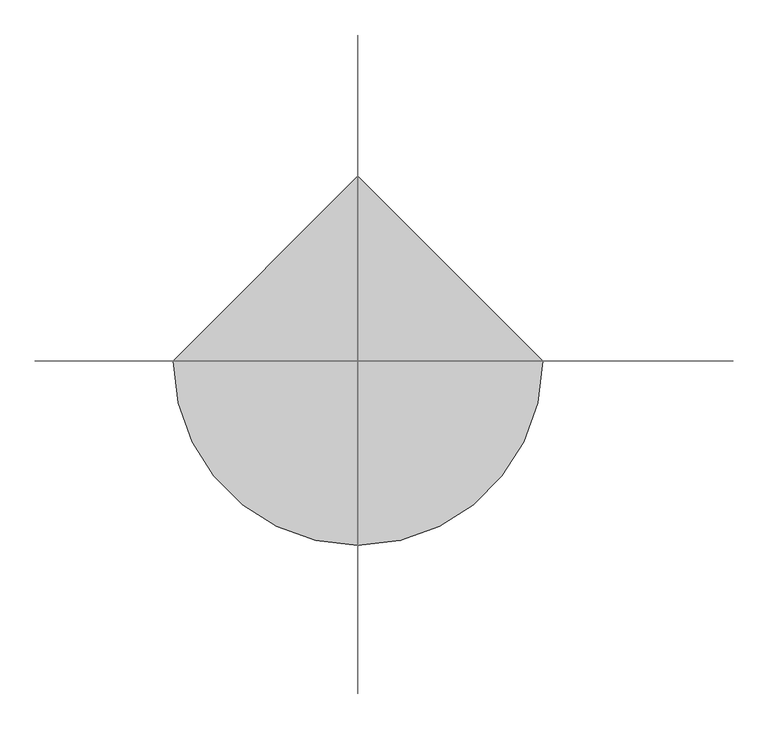
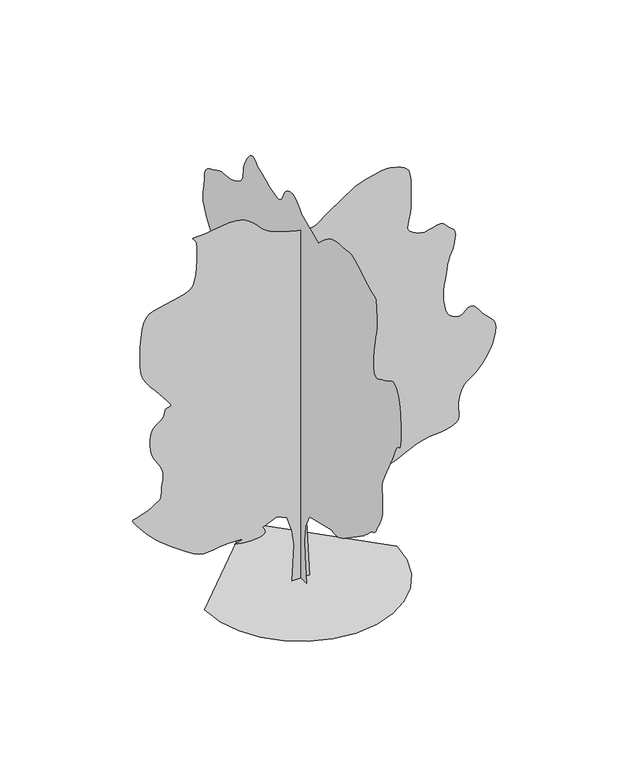
"""IFC4 building model written with IfcOpenShell, lengths in millimetres: geographic element geometry."""

from ifc_helpers import new_model, si_unit, origin, place, context, project, spatial, triangles, source, transform, mapped, element, save


def geographic_element_be49fed4(model_context):
    return source(origin(), model_context, "Body", "Tessellation", [
        triangles([(0.0009733, 134.7013619, 0.0), (0.0009733, -147.494867, 0.0), (0.0009733, -109.8685844, 413.8878181), (0.0009733, -100.4623272, 649.050499), (0.0009733, -119.2748508, 884.2131798), (0.0009733, -232.153435, 1100.5634188), (0.0009733, -805.9506603, 1241.6609837), (0.0009733, -836.5581671, 1230.0334957), (0.0009733, -869.3831984, 1221.2035114), (0.0009733, -906.6532345, 1217.965991), (0.0009733, -950.5882708, 1223.1234524), (0.0009733, -1003.4058317, 1239.4685303), (0.0009733, -1067.3308542, 1269.7985104), (0.0009733, -1144.5859497, 1316.9135124), (0.0009733, -1455.0011593, 1533.2636787), (0.0009733, -1498.8811844, 1564.1163013), (0.0009733, -1542.2661816, 1593.486311), (0.0009733, -1585.8162849, 1623.3513485), (0.0009733, -1630.1888672, 1655.6862934), (0.0009733, -1676.041301, 1692.4613743), (0.0009733, -1724.0338657, 1735.6539413), (0.0009733, -1774.8239342, 1787.2388741), (0.0009733, -1818.8389801, 1828.7590141), (0.0009733, -1849.3615356, 1847.5739994), (0.0009733, -1871.3289448, 1854.3740204), (0.0009733, -1889.6765167, 1859.8590054), (0.0009733, -1909.3389793, 1874.7240864), (0.0009733, -1935.2541126, 1909.6614887), (0.0009733, -1972.3591152, 1975.3715767), (0.0009733, -2012.7566494, 2050.40159), (0.0009733, -2045.5841515, 2111.4491718), (0.0009733, -2071.3341785, 2166.4067184), (0.0009733, -2090.5042294, 2223.1767998), (0.0009733, -2103.5867157, 2289.651812), (0.0009733, -2111.0717239, 2373.7344704), (0.0009733, -2113.4592236, 2483.3219673), (0.0009733, -2108.7967175, 2583.5521866), (0.0009733, -2099.1991928, 2645.9521568), (0.0009733, -2091.2441551, 2687.927211), (0.0009733, -2091.5191383, 2726.9521545), (0.0009733, -2106.6016479, 2780.4523773), (0.0009733, -2143.0767471, 2865.9023941), (0.0009733, -2207.5242668, 3000.6773071), (0.0009733, -2272.3543213, 3131.8524399), (0.0009733, -2311.5169018, 3208.0527306), (0.0009733, -2333.894315, 3249.2275429), (0.0009733, -2348.3743904, 3275.2526985), (0.0009733, -2363.8419056, 3306.0525627), (0.0009733, -2389.1819286, 3361.5276649), (0.0009733, -2433.2795277, 3461.6026611), (0.0009733, -2483.0818657, 3552.8029083), (0.0009733, -2520.7019531, 3587.7528099), (0.0009733, -2547.8020432, 3595.3779259), (0.0009733, -2566.002095, 3604.6529411), (0.0009733, -2576.9770065, 3644.5278328), (0.0009733, -2582.3519691, 3743.9531593), (0.0009733, -2583.7771729, 3931.9283134), (0.0009733, -2574.1771774, 4144.4034256), (0.0009733, -2548.4520035, 4302.6033623), (0.0009733, -2511.2269501, 4413.2285866), (0.0009733, -2467.0668549, 4483.053685), (0.0009733, -2420.6095161, 4518.8035378), (0.0009733, -2376.4569786, 4527.2536034), (0.0009733, -2339.2143391, 4515.1287621), (0.0009733, -2306.9368034, 4495.0285355), (0.0009733, -2274.4943069, 4475.2535797), (0.0009733, -2241.7217434, 4456.1535828), (0.0009733, -2208.456768, 4438.0035278), (0.0009733, -2174.5318039, 4421.2036812), (0.0009733, -2139.7866863, 4406.0284447), (0.0009733, -2104.0516582, 4392.8536674), (0.0009733, -2063.4092262, 4373.6786751), (0.0009733, -2017.3366024, 4348.9034431), (0.0009733, -1970.769096, 4331.3786407), (0.0009733, -1928.6465218, 4333.9284851), (0.0009733, -1895.9015728, 4369.4036453), (0.0009733, -1877.4714478, 4450.6036308), (0.0009733, -1878.294072, 4590.37882), (0.0009733, -1893.3515831, 4743.5287743), (0.0009733, -1912.3565277, 4862.9290443), (0.0009733, -1932.3490574, 4958.6287262), (0.0009733, -1950.3665623, 5040.6789505), (0.0009733, -1963.4490486, 5119.1293945), (0.0009733, -1968.6315811, 5203.9794479), (0.0009733, -1962.9540207, 5305.2790787), (0.0009733, -1955.0840069, 5402.479541), (0.0009733, -1951.8190899, 5472.3543457), (0.0009733, -1947.4040977, 5521.0042831), (0.0009733, -1936.0790623, 5554.5045639), (0.0009733, -1912.0815445, 5578.9792328), (0.0009733, -1869.6565178, 5600.4796646), (0.0009733, -1803.044014, 5625.1043243), (0.0009733, -1720.9064404, 5661.3794357), (0.0009733, -1636.6338226, 5709.179425), (0.0009733, -1551.5337845, 5761.6047134), (0.0009733, -1466.931245, 5811.7045624), (0.0009733, -1384.1386242, 5852.5799744), (0.0009733, -1304.4711033, 5877.3546249), (0.0009733, -1229.2460438, 5879.0795197), (0.0009733, -1155.7484224, 5869.4295273), (0.0009733, -1081.2633614, 5862.9049255), (0.0009733, -1007.1082947, 5856.8547134), (0.0009733, -934.5982584, 5848.679631), (0.0009733, -865.0506866, 5835.7548386), (0.0009733, -799.7806154, 5815.4049179), (0.0009733, -740.1056242, 5785.0044479), (0.0009733, -686.9580688, 5749.2798843), (0.0009733, -639.7330444, 5714.5296799), (0.0009733, -597.445473, 5680.604425), (0.0009733, -559.105444, 5647.3547104), (0.0009733, -523.727916, 5614.5793854), (0.0009733, -490.3254127, 5582.1296219), (0.0009733, -457.9103854, 5549.8542664), (0.0009733, -15.8033629, 5737.9794113), (0.0009733, 22.480868, 5779.9547562), (0.0009733, 60.6828013, 5819.9046432), (0.0009733, 98.7203278, 5855.7047836), (0.0009733, 136.5108627, 5885.354718), (0.0009733, 173.9723933, 5906.7795731), (0.0009733, 211.0226754, 5917.9050568), (0.0009733, 247.5792013, 5916.7045486), (0.0009733, 282.6827272, 5907.9045044), (0.0009733, 315.3177446, 5896.9545914), (0.0009733, 345.3202738, 5882.8798691), (0.0009733, 372.5252993, 5864.7048157), (0.0009733, 396.7678239, 5841.4294922), (0.0009733, 417.8828505, 5812.054541), (0.0009733, 435.7103597, 5775.6044403), (0.0009733, 452.7128829, 5735.1795822), (0.0009733, 472.6778707, 5696.4046234), (0.0009733, 497.4153869, 5662.079393), (0.0009733, 528.7329157, 5634.979303), (0.0009733, 568.4429555, 5617.9047638), (0.0009733, 618.3554976, 5613.7044388), (0.0009733, 680.2805695, 5625.1043243), (0.0009733, 747.7156248, 5646.6297546), (0.0009733, 813.1781261, 5670.6294525), (0.0009733, 876.993199, 5696.6796066), (0.0009733, 939.4932358, 5724.37966), (0.0009733, 1001.0058329, 5753.3046387), (0.0009733, 1061.8608393, 5783.054567), (0.0009733, 1122.385924, 5813.2294693), (0.0009733, 1150.6609423, 5838.9296448), (0.0009733, 1179.2634842, 5861.5800064), (0.0009733, 1208.5259422, 5878.1545761), (0.0009733, 1238.7735146, 5885.5797043), (0.0009733, 1270.3410645, 5880.8299942), (0.0009733, 1303.5511013, 5860.8794678), (0.0009733, 1338.7360176, 5822.6294769), (0.0009733, 1373.2086227, 5775.8044281), (0.0009733, 1403.7311783, 5731.2548218), (0.0009733, 1429.8111271, 5687.8795624), (0.0009733, 1450.9562027, 5644.4793045), (0.0009733, 1466.6712318, 5599.9546967), (0.0009733, 1476.4611866, 5553.1046494), (0.0009733, 1479.8336552, 5502.8042313), (0.0009733, 1483.4812523, 5452.1044189), (0.0009733, 1495.191148, 5404.7044052), (0.0009733, 1516.1161789, 5360.4042023), (0.0009733, 1547.4087456, 5319.0793991), (0.0009733, 1590.2163071, 5280.554425), (0.0009733, 1645.6963509, 5244.6542908), (0.0009733, 1714.996336, 5211.204007), (0.0009733, 1788.9065048, 5186.2043701), (0.0009733, 1858.2064899, 5172.3790512), (0.0009733, 1924.0515987, 5164.8039322), (0.0009733, 1987.5940865, 5158.5543137), (0.0009733, 2049.9841736, 5148.679335), (0.0009733, 2112.3742607, 5130.2542969), (0.0009733, 2175.9167484, 5098.32892), (0.0009733, 2240.5017597, 5064.3292511), (0.0009733, 2303.2743816, 5038.2291), (0.0009733, 2361.2769459, 5012.9289001), (0.0009733, 2411.5469879, 4981.4040802), (0.0009733, 2451.1195724, 4936.5289124), (0.0009733, 2477.0345604, 4871.2538269), (0.0009733, 2486.331958, 4778.503965), (0.0009733, 2492.5844833, 4683.078685), (0.0009733, 2506.4019539, 4608.2036041), (0.0009733, 2520.4019714, 4544.5287117), (0.0009733, 2527.1521408, 4482.6537094), (0.0009733, 2519.2520416, 4413.2285866), (0.0009733, 2489.2945679, 4326.8286278), (0.0009733, 2429.8919437, 4214.1285301), (0.0009733, 2356.3968658, 4101.0031677), (0.0009733, 2289.9743214, 4014.028244), (0.0009733, 2231.9442879, 3944.8531059), (0.0009733, 2183.6218014, 3885.0282692), (0.0009733, 2146.3266941, 3826.2030807), (0.0009733, 2121.3692059, 3759.9780533), (0.0009733, 2110.0716396, 3677.9528275), (0.0009733, 2115.5842392, 3588.602758), (0.0009733, 2136.8916595, 3505.6778778), (0.0009733, 2169.0617889, 3428.6526375), (0.0009733, 2207.1542313, 3357.0776459), (0.0009733, 2246.2317879, 3290.4526428), (0.0009733, 2281.3643818, 3228.2526604), (0.0009733, 2307.6092915, 3170.0024368), (0.0009733, 2333.0293968, 3130.6025162), (0.0009733, 2364.704353, 3115.0525932), (0.0009733, 2396.2144936, 3108.0524391), (0.0009733, 2421.1445126, 3094.3024063), (0.0009733, 2433.074453, 3058.5275551), (0.0009733, 2425.586974, 2985.3773689), (0.0009733, 2392.2669147, 2859.5771988), (0.0009733, 2346.3593971, 2717.8521286), (0.0009733, 2303.741795, 2602.2772064), (0.0009733, 2261.946817, 2505.6519997), (0.0009733, 2218.506736, 2420.6845116), (0.0009733, 2170.9542606, 2340.1668972), (0.0009733, 2116.8167221, 2256.8517792), (0.0009733, 2053.6316254, 2163.5018085), (0.0009733, 1990.2540985, 2069.4091507), (0.0009733, 1937.0790012, 1987.8215435), (0.0009733, 1893.941518, 1917.4240963), (0.0009733, 1860.6740719, 1856.8965408), (0.0009733, 1837.1164982, 1804.928928), (0.0009733, 1823.1039814, 1760.1989548), (0.0009733, 1818.4689445, 1721.3939106), (0.0009733, 1822.4189941, 1694.76385), (0.0009733, 1831.633984, 1682.286414), (0.0009733, 1842.1640099, 1676.2263187), (0.0009733, 1850.0614929, 1668.8488621), (0.0009733, 1851.3789997, 1652.4213764), (0.0009733, 1842.1640099, 1619.2113396), (0.0009733, 1818.4689445, 1561.4837585), (0.0009733, 1798.7513981, 1500.5736683), (0.0009733, 1796.6388817, 1458.9161819), (0.0009733, 1800.9439968, 1430.4235897), (0.0009733, 1800.4789089, 1409.0036762), (0.0009733, 1784.0514233, 1388.5736732), (0.0009733, 1740.4738506, 1363.0410748), (0.0009733, 1658.5587925, 1326.3210777), (0.0009733, 1569.2912762, 1288.8036003), (0.0009733, 1504.2137077, 1262.3110313), (0.0009733, 1452.9586967, 1242.8959373), (0.0009733, 1405.1587074, 1226.6059433), (0.0009733, 1350.4460587, 1209.4934704), (0.0009733, 1278.4585922, 1187.608469), (0.0009733, 1178.8259382, 1157.003433), (0.0009733, 1078.8083513, 1127.6584219), (0.0009733, 1006.4358067, 1109.9959099), (0.0009733, 952.4932417, 1100.7283796), (0.0009733, 907.7632685, 1096.558358), (0.0009733, 863.0356934, 1094.2008711), (0.0009733, 809.0906576, 1090.3609165), (0.0009733, 736.7181129, 1081.7509043), (0.0009733, 652.0605623, 1068.0108273), (0.0009733, 567.4004683, 1051.3083584), (0.0009733, 482.7428813, 1032.140851), (0.0009733, 398.0828236, 1010.9958481), (0.0009733, 313.4252366, 988.3707756), (0.0009733, 228.7664324, 964.7582634), (0.0009733, 144.1076192, 940.6532667), (134.0396109, 0.0003104, 0.0138465), (-129.3426047, 0.0003104, 0.0138465), (-101.123079, 0.0002775, 554.9979549), (-129.3426047, 0.000265, 780.7556139), (-204.5949064, 0.0002508, 1015.9182947), (-355.1002728, 0.0002461, 1091.1708961), (-571.4504754, 0.0002508, 997.1057802), (-553.8429382, 0.0002524, 972.9983128), (-539.4454522, 0.000254, 949.3882713), (-531.465416, 0.0002555, 926.7632715), (-533.1104465, 0.0002571, 905.6181959), (-547.5904492, 0.0002587, 886.4482178), (-578.1129684, 0.0002587, 869.7482197), (-627.8879826, 0.0002602, 856.0082153), (-686.4380424, 0.0002602, 846.9307171), (-741.5356241, 0.0002602, 843.2831926), (-793.7506056, 0.0002602, 844.1606827), (-843.663184, 0.0002602, 848.6581553), (-891.8482515, 0.0002602, 855.8707237), (-938.8807732, 0.0002587, 864.8932108), (-985.3357864, 0.0002587, 874.8207298), (-938.2757229, 0.0002587, 886.8056814), (-899.1157585, 0.0002571, 898.1307169), (-875.7482168, 0.0002571, 908.1407164), (-876.0782112, 0.0002555, 916.1757637), (-908.000754, 0.0002555, 921.5782682), (-979.4132555, 0.0002555, 923.690712), (-1098.2134169, 0.0002555, 921.8532515), (-1223.378524, 0.0002571, 913.21577), (-1316.2934921, 0.0002571, 899.9682501), (-1388.4736794, 0.0002571, 889.0257494), (-1451.4387314, 0.0002571, 887.2982386), (-1516.7087299, 0.0002571, 901.6957609), (-1595.8012859, 0.0002555, 939.1307579), (-1700.2313942, 0.0002508, 1006.5108021), (-1816.016478, 0.0002461, 1088.4284037), (-1921.6016029, 0.0002414, 1165.4084433), (-2017.1466431, 0.0002367, 1238.2735451), (-2102.8191753, 0.0002336, 1307.8509842), (-2178.7867767, 0.0002289, 1374.9560452), (-2245.2068504, 0.0002242, 1440.4186192), (-2302.2492989, 0.0002211, 1505.0587143), (-2354.1368294, 0.0002179, 1567.5838223), (-2402.8969345, 0.0002132, 1625.1763824), (-2445.4045143, 0.0002101, 1676.3488403), (-2478.5321434, 0.0002085, 1719.6239605), (-2499.1544312, 0.0002069, 1753.5214554), (-2504.1520912, 0.0002054, 1776.5590027), (-2490.3793854, 0.0002038, 1787.2539894), (-2459.3920326, 0.0002038, 1794.0263958), (-2417.5419708, 0.0002038, 1805.7364368), (-2368.9443558, 0.0002022, 1821.5614883), (-2317.716814, 0.0002007, 1840.6764553), (-2267.9692692, 0.0001991, 1862.2590042), (-2223.8167316, 0.0001991, 1885.4865108), (-2189.3717411, 0.0001975, 1909.5391125), (-2162.3867603, 0.000196, 1927.8015152), (-2138.1966671, 0.000196, 1938.169051), (-2117.2992508, 0.0001944, 1946.561562), (-2100.1866325, 0.0001944, 1958.9016518), (-2087.3541309, 0.0001928, 1981.1165749), (-2079.291687, 0.0001897, 2019.1266094), (-2076.4941833, 0.0001866, 2078.8566845), (-2072.5992176, 0.0001834, 2146.7042873), (-2063.7692333, 0.0001787, 2206.9817127), (-2054.2791149, 0.0001756, 2262.4893711), (-2048.4115952, 0.0001725, 2316.0218594), (-2050.4417038, 0.0001693, 2370.3769718), (-2064.6466507, 0.0001662, 2428.3494507), (-2095.3066978, 0.0001615, 2492.7420319), (-2134.2492336, 0.0001583, 2555.8271347), (-2169.5717869, 0.0001552, 2611.5022247), (-2199.9567055, 0.0001521, 2665.0271553), (-2224.0918602, 0.0001489, 2721.6771858), (-2240.6543667, 0.0001442, 2786.727285), (-2248.3342758, 0.0001395, 2865.4274231), (-2245.8117554, 0.0001348, 2963.0772766), (-2228.8892418, 0.0001286, 3053.9275452), (-2197.981826, 0.0001254, 3115.1525871), (-2158.6842247, 0.0001223, 3156.3276901), (-2116.5866489, 0.0001207, 3186.952565), (-2077.289193, 0.0001191, 3216.6024994), (-2046.3816319, 0.000116, 3254.8024933), (-2029.4615891, 0.0001129, 3311.1025452), (-2011.7716805, 0.0001113, 3359.2778023), (-1982.4016708, 0.0001097, 3377.3028648), (-1952.6991234, 0.0001097, 3381.2026268), (-1934.0241005, 0.0001082, 3386.9028603), (-1937.7266361, 0.0001082, 3410.3778809), (-1975.1615604, 0.0001035, 3467.6028763), (-2057.6791981, 9.72e-05, 3574.5027466), (-2156.9017754, 9.09e-05, 3694.6029739), (-2237.5292667, 8.47e-05, 3789.0530228), (-2300.5494026, 8e-05, 3870.1780128), (-2346.9519482, 7.53e-05, 3950.303064), (-2377.7218723, 7.05e-05, 4041.8032928), (-2393.8469055, 6.27e-05, 4156.9782394), (-2396.3144875, 5.33e-05, 4308.2036018), (-2391.2694466, 4.39e-05, 4470.0786049), (-2382.4394623, 3.61e-05, 4609.2538307), (-2367.1893757, 2.98e-05, 4726.0536781), (-2342.8918762, 2.35e-05, 4820.8039993), (-2306.911805, 1.88e-05, 4893.8541916), (-2256.6142937, 1.57e-05, 4945.4789474), (-2189.3717411, 1.41e-05, 4976.0538254), (-2104.7392616, 1.25e-05, 4994.8788391), (-2008.7541321, 1.25e-05, 5012.5289246), (-1908.491502, 1.1e-05, 5031.3539383), (-1811.0265209, 9.4e-06, 5053.6293228), (-1723.4339024, 7.8e-06, 5081.6543564), (-1652.7887959, 6.3e-06, 5117.7288986), (-1606.1663509, 3.1e-06, 5164.2039688), (-1578.8513031, -1.6e-06, 5232.7044388), (-1560.4237942, -6.3e-06, 5326.3795349), (-1549.3987404, -1.25e-05, 5434.7043182), (-1544.298761, -2.04e-05, 5547.1544312), (-1543.6387722, -2.67e-05, 5653.1793549), (-1545.9437187, -3.14e-05, 5742.2547318), (-1549.7288074, -3.45e-05, 5803.8294617), (-1560.9438206, -3.76e-05, 5842.6799973), (-1580.7187763, -3.92e-05, 5871.4799835), (-1600.3263004, -4.08e-05, 5891.7049118), (-1611.0487564, -4.08e-05, 5904.879689), (-1604.1663277, -4.23e-05, 5912.4298096), (-1570.95382, -4.23e-05, 5915.9045975), (-1502.6962132, -4.23e-05, 5916.7295471), (-1406.2711395, -4.23e-05, 5923.0547424), (-1298.001004, -4.39e-05, 5937.4550262), (-1183.3109842, -4.39e-05, 5953.0046585), (-1067.6358501, -4.39e-05, 5962.7796432), (-956.4032501, -4.39e-05, 5959.9048187), (-855.043158, -4.39e-05, 5937.4550262), (-768.9856201, -4.08e-05, 5888.5045258), (-703.6355392, -3.61e-05, 5829.3546478), (-655.0655388, -3.29e-05, 5779.2298004), (-614.7254866, -3.14e-05, 5735.7045502), (-574.0554763, -2.82e-05, 5696.3046295), (-524.5004342, -2.67e-05, 5658.5546082), (-457.5028522, -2.35e-05, 5619.9546387), (-364.5052946, -2.19e-05, 5578.0792877), (-256.7552037, -1.88e-05, 5538.7543625), (-153.2841212, -1.72e-05, 5508.8044464), (-57.2167973, -1.57e-05, 5487.254599), (28.3195219, -1.57e-05, 5473.1042999), (100.1988349, -1.57e-05, 5465.3791901), (155.2941184, -1.41e-05, 5463.054332), (190.4793981, -1.57e-05, 5465.2042007), (215.8194211, -1.57e-05, 5473.054303), (243.4629554, -1.57e-05, 5487.6295761), (273.410219, -1.72e-05, 5507.6545166), (305.6602309, -1.88e-05, 5531.7792068), (340.2152802, -2.04e-05, 5558.729306), (377.0728051, -2.19e-05, 5587.1293167), (416.2353493, -2.35e-05, 5615.7043167), (792.4981384, -3.92e-05, 5869.679512), (817.288195, -3.92e-05, 5878.9295288), (882.5581936, -4.08e-05, 5902.1548553), (974.6482847, -4.23e-05, 5932.6297394), (1079.9033426, -4.55e-05, 5963.5795944), (1184.6634453, -4.55e-05, 5988.3048294), (1275.2734669, -4.7e-05, 6000.0046967), (1338.0760288, -4.7e-05, 5991.9796051), (1385.3260517, -4.55e-05, 5975.0550568), (1436.1986732, -4.39e-05, 5961.4297256), (1487.4012165, -4.39e-05, 5946.3050674), (1535.6386791, -4.23e-05, 5924.9546265), (1577.6262325, -4.08e-05, 5892.5548599), (1610.068729, -3.76e-05, 5844.3798935), (1629.6788692, -3.29e-05, 5775.6294388), (1639.0838184, -2.82e-05, 5698.6044891), (1643.8838161, -2.51e-05, 5627.2047775), (1645.2263214, -2.04e-05, 5558.9042953), (1644.2663509, -1.72e-05, 5491.2793533), (1642.1538345, -1.25e-05, 5421.8545212), (1640.0437889, -7.8e-06, 5348.1293701), (1639.0838184, -3.1e-06, 5267.6790482), (1634.0913906, 1.6e-06, 5187.5792862), (1622.1912449, 6.3e-06, 5116.5539703), (1607.9838272, 9.4e-06, 5054.4042755), (1596.081356, 1.25e-05, 5001.0040466), (1591.0912537, 1.57e-05, 4956.1288788), (1597.6187622, 1.72e-05, 4919.6537796), (1620.2713039, 1.88e-05, 4891.4037598), (1651.9738747, 2.04e-05, 4868.9289688), (1682.6888603, 2.19e-05, 4849.728978), (1712.5813671, 2.19e-05, 4833.6537964), (1741.8138851, 2.35e-05, 4820.5540146), (1770.5564621, 2.35e-05, 4810.2287727), (1798.9665012, 2.51e-05, 4802.5539505), (1827.213905, 2.51e-05, 4797.3289787), (1863.2490601, 2.51e-05, 4800.3037971), (1911.6264851, 2.35e-05, 4812.9788956), (1967.4066559, 2.35e-05, 4828.9287941), (2025.6565887, 2.19e-05, 4841.7788818), (2081.4366142, 2.19e-05, 4845.0539726), (2129.8141846, 2.35e-05, 4832.3788742), (2165.8491943, 2.51e-05, 4797.3289787), (2195.3593117, 2.67e-05, 4758.0787582), (2225.6892918, 2.82e-05, 4731.9538994), (2254.2093533, 2.98e-05, 4711.4536972), (2278.2892788, 3.14e-05, 4688.9539078), (2295.2918747, 3.29e-05, 4656.9288277), (2302.5869236, 3.61e-05, 4607.7786301), (2297.5418827, 4.08e-05, 4533.9537758), (2283.3617889, 4.55e-05, 4455.6536133), (2265.8943958, 4.86e-05, 4393.6536186), (2246.4493618, 5.17e-05, 4341.2036224), (2226.3468098, 5.49e-05, 4291.5284569), (2206.9042465, 5.8e-05, 4237.9035324), (2189.4342373, 6.27e-05, 4173.6033875), (2175.2567596, 6.74e-05, 4091.8534355), (2162.3117649, 7.21e-05, 4004.3782516), (2148.874213, 7.68e-05, 3925.278138), (2136.7516972, 8.15e-05, 3851.452993), (2127.756752, 8.62e-05, 3779.753009), (2123.6991508, 8.94e-05, 3707.0780846), (2126.3867775, 9.41e-05, 3630.302829), (2137.6292599, 9.88e-05, 3546.2777252), (2155.4842747, 0.0001035, 3469.5027603), (2176.791695, 0.0001066, 3413.652681), (2201.5542824, 0.0001097, 3374.2527603), (2229.7743622, 0.0001113, 3346.8526886), (2261.4493183, 0.0001129, 3327.0277359), (2296.5819122, 0.0001129, 3310.302594), (2335.1669117, 0.0001144, 3292.3025299), (2374.57439, 0.0001144, 3289.8526794), (2413.1620056, 0.0001129, 3313.0777153), (2452.4043777, 0.0001113, 3347.3276596), (2493.7896423, 0.0001097, 3377.9778236), (2538.8020111, 0.0001082, 3390.3276512), (2588.9021507, 0.0001097, 3369.8027412), (2645.5771797, 0.0001144, 3301.7025375), (2706.5522369, 0.0001191, 3218.4776756), (2765.8771042, 0.0001223, 3156.4526825), (2819.5773148, 0.0001254, 3106.9525063), (2863.7772331, 0.0001286, 3061.2523888), (2894.4523956, 0.0001317, 3010.6025734), (2907.702459, 0.0001348, 2946.27743), (2899.552375, 0.0001411, 2859.6021973), (2878.1022308, 0.0001458, 2766.3523659), (2853.5522758, 0.0001505, 2686.1020317), (2825.0272728, 0.0001552, 2615.752256), (2791.7272705, 0.0001583, 2552.1270699), (2752.8273193, 0.0001615, 2492.1121284), (2707.5271774, 0.0001662, 2432.6019527), (2654.9771873, 0.0001693, 2370.4569088), (2600.8270042, 0.0001725, 2317.1443199), (2551.1021324, 0.0001756, 2280.2868313), (2505.6519997, 0.0001772, 2250.9967587), (2464.3344635, 0.0001787, 2220.3917953), (2426.9544777, 0.0001803, 2179.5842571), (2393.3594353, 0.000185, 2119.691692), (2363.3868462, 0.0001897, 2031.8240902), (2347.2343437, 0.000196, 1934.7965824), (2348.1944595, 0.0002007, 1852.2490047), (2355.7344063, 0.0002038, 1782.5363995), (2359.3269196, 0.0002085, 1724.0139542), (2348.4393574, 0.0002116, 1675.0338043), (2312.5418392, 0.0002132, 1633.9512829), (2241.1018684, 0.0002148, 1599.1237576), (2155.26423, 0.0002164, 1575.9487186), (2078.4766205, 0.0002179, 1565.7737583), (2003.661565, 0.0002179, 1560.866209), (1923.7465302, 0.0002179, 1553.4887524), (1831.6565117, 0.0002195, 1535.9111916), (1720.3138893, 0.0002211, 1500.3962082), (1582.6438042, 0.0002258, 1439.2111347), (1432.7436516, 0.0002289, 1368.8411568), (1291.0710491, 0.000232, 1310.483527), (1160.0909626, 0.0002352, 1263.4785473), (1042.2783136, 0.0002383, 1227.1685543), (940.0957426, 0.0002399, 1200.8959574), (856.0131569, 0.0002399, 1184.0009857), (792.4981384, 0.0002414, 1175.8284468), (397.4228348, 0.0002414, 1166.4234249), (105.8200852, 0.0002446, 1119.3909033), (87.0075707, 0.0002587, 865.4131645), (-1430.8636791, 0.0, 0.0118397), (-1393.0361916, -327.8602567, 0.0118397), (-1285.305994, -628.9454762, 0.0118397), (-1116.2958887, -894.633256, 0.0118397), (-894.633256, -1116.2958887, 0.0118397), (-628.9454762, -1285.305994, 0.0118397), (-327.8602567, -1393.0361916, 0.0118397), (6.25e-05, -1430.8636791, 0.0118397), (327.8602567, -1393.0361916, 0.0118397), (628.9454762, -1285.305994, 0.0118397), (894.633256, -1116.2958887, 0.0118397), (1116.2958887, -894.633256, 0.0118397), (1285.305994, -628.9454762, 0.0118397), (1393.0361916, -327.8602567, 0.0118397), (1430.8636791, 0.0001254, 0.0118397), (-0.0001876, 1430.8636791, 0.0118397)], [[1, 2, 3], [254, 1, 3], [254, 3, 4], [254, 4, 5], [254, 5, 6], [53, 54, 55], [52, 53, 55], [201, 202, 203], [201, 203, 204], [200, 201, 204], [222, 223, 224], [52, 55, 56], [200, 204, 205], [199, 200, 205], [253, 254, 6], [221, 222, 224], [221, 224, 225], [229, 230, 231], [229, 231, 232], [228, 229, 232], [228, 232, 233], [227, 228, 233], [252, 253, 6], [221, 225, 226], [220, 221, 226], [199, 205, 206], [198, 199, 206], [62, 63, 64], [61, 62, 64], [61, 64, 65], [60, 61, 65], [60, 65, 66], [59, 60, 66], [59, 66, 67], [59, 67, 68], [58, 59, 68], [58, 68, 69], [58, 69, 70], [57, 58, 70], [57, 70, 71], [57, 71, 72], [57, 72, 73], [57, 73, 74], [56, 57, 74], [52, 56, 74], [51, 52, 74], [50, 51, 74], [50, 74, 75], [49, 50, 75], [48, 49, 75], [47, 48, 75], [46, 47, 75], [45, 46, 75], [44, 45, 75], [43, 44, 75], [42, 43, 75], [42, 75, 76], [41, 42, 76], [227, 233, 234], [226, 227, 234], [220, 226, 234], [219, 220, 234], [219, 234, 235], [219, 235, 236], [219, 236, 237], [218, 219, 237], [218, 237, 238], [218, 238, 239], [218, 239, 240], [217, 218, 240], [217, 240, 241], [217, 241, 242], [217, 242, 243], [217, 243, 244], [217, 244, 245], [217, 245, 246], [216, 217, 246], [216, 246, 247], [215, 216, 247], [215, 247, 248], [251, 252, 6], [88, 89, 90], [88, 90, 91], [87, 88, 91], [87, 91, 92], [86, 87, 92], [86, 92, 93], [85, 86, 93], [84, 85, 93], [84, 93, 94], [83, 84, 94], [82, 83, 94], [81, 82, 94], [81, 94, 95], [80, 81, 95], [80, 95, 96], [80, 96, 97], [80, 97, 98], [80, 98, 99], [80, 99, 100], [80, 100, 101], [80, 101, 102], [80, 102, 103], [80, 103, 104], [80, 104, 105], [80, 105, 106], [80, 106, 107], [80, 107, 108], [80, 108, 109], [80, 109, 110], [80, 110, 111], [80, 111, 112], [79, 80, 112], [79, 112, 113], [78, 79, 113], [77, 78, 113], [76, 77, 113], [41, 76, 113], [40, 41, 113], [40, 113, 114], [39, 40, 114], [198, 206, 207], [197, 198, 207], [196, 197, 207], [196, 207, 208], [195, 196, 208], [195, 208, 209], [195, 209, 210], [195, 210, 211], [194, 195, 211], [194, 211, 212], [194, 212, 213], [193, 194, 213], [193, 213, 214], [214, 215, 248], [193, 214, 248], [193, 248, 249], [192, 193, 249], [192, 249, 250], [192, 250, 251], [192, 251, 6], [192, 6, 7], [191, 192, 7], [190, 191, 7], [189, 190, 7], [38, 39, 114], [37, 38, 114], [36, 37, 114], [35, 36, 114], [34, 35, 114], [33, 34, 114], [32, 33, 114], [31, 32, 114], [30, 31, 114], [29, 30, 114], [28, 29, 114], [27, 28, 114], [26, 27, 114], [25, 26, 114], [24, 25, 114], [23, 24, 114], [22, 23, 114], [21, 22, 114], [20, 21, 114], [19, 20, 114], [18, 19, 114], [17, 18, 114], [16, 17, 114], [15, 16, 114], [14, 15, 114], [13, 14, 114], [12, 13, 114], [11, 12, 114], [10, 11, 114], [9, 10, 114], [8, 9, 114], [7, 8, 114], [189, 7, 114], [188, 189, 114], [188, 114, 115], [188, 115, 116], [188, 116, 117], [188, 117, 118], [188, 118, 119], [188, 119, 120], [188, 120, 121], [146, 147, 148], [145, 146, 148], [144, 145, 148], [144, 148, 149], [143, 144, 149], [143, 149, 150], [142, 143, 150], [142, 150, 151], [142, 151, 152], [141, 142, 152], [141, 152, 153], [141, 153, 154], [141, 154, 155], [141, 155, 156], [140, 141, 156], [140, 156, 157], [139, 140, 157], [138, 139, 157], [138, 157, 158], [137, 138, 158], [137, 158, 159], [136, 137, 159], [135, 136, 159], [135, 159, 160], [134, 135, 160], [134, 160, 161], [174, 175, 176], [173, 174, 176], [173, 176, 177], [172, 173, 177], [171, 172, 177], [171, 177, 178], [170, 171, 178], [170, 178, 179], [169, 170, 179], [168, 169, 179], [167, 168, 179], [166, 167, 179], [165, 166, 179], [165, 179, 180], [165, 180, 181], [165, 181, 182], [165, 182, 183], [165, 183, 184], [165, 184, 185], [165, 185, 186], [165, 186, 187], [164, 165, 187], [164, 187, 188], [163, 164, 188], [162, 163, 188], [161, 162, 188], [134, 161, 188], [133, 134, 188], [132, 133, 188], [125, 126, 127], [124, 125, 127], [124, 127, 128], [123, 124, 128], [122, 123, 128], [121, 122, 128], [121, 128, 129], [121, 129, 130], [121, 130, 131], [188, 121, 131], [132, 188, 131], [274, 275, 276], [531, 255, 256], [531, 256, 257], [531, 257, 258], [531, 258, 259], [530, 531, 259], [376, 377, 378], [376, 378, 379], [375, 376, 379], [273, 274, 276], [273, 276, 277], [375, 379, 380], [374, 375, 380], [273, 277, 278], [272, 273, 278], [301, 302, 303], [301, 303, 304], [300, 301, 304], [300, 304, 305], [299, 300, 305], [299, 305, 306], [298, 299, 306], [298, 306, 307], [297, 298, 307], [297, 307, 308], [271, 272, 278], [296, 297, 308], [296, 308, 309], [373, 374, 380], [373, 380, 381], [372, 373, 381], [295, 296, 309], [295, 309, 310], [294, 295, 310], [294, 310, 311], [294, 311, 312], [294, 312, 313], [293, 294, 313], [293, 313, 314], [292, 293, 314], [271, 278, 279], [291, 292, 314], [530, 259, 260], [372, 381, 382], [371, 372, 382], [291, 314, 315], [290, 291, 315], [371, 382, 383], [370, 371, 383], [370, 383, 384], [369, 370, 384], [369, 384, 385], [369, 385, 386], [369, 386, 387], [369, 387, 388], [369, 388, 389], [369, 389, 390], [368, 369, 390], [368, 390, 391], [367, 368, 391], [367, 391, 392], [367, 392, 393], [366, 367, 393], [366, 393, 394], [270, 271, 279], [366, 394, 395], [338, 339, 340], [338, 340, 341], [289, 290, 315], [483, 484, 485], [483, 485, 486], [482, 483, 486], [481, 482, 486], [481, 486, 487], [480, 481, 487], [288, 289, 315], [287, 288, 315], [286, 287, 315], [285, 286, 315], [284, 285, 315], [283, 284, 315], [282, 283, 315], [282, 315, 316], [281, 282, 316], [281, 316, 317], [281, 317, 318], [281, 318, 319], [281, 319, 320], [280, 281, 320], [280, 320, 321], [279, 280, 321], [279, 321, 322], [480, 487, 488], [264, 265, 266], [263, 264, 266], [263, 266, 267], [262, 263, 267], [262, 267, 268], [261, 262, 268], [261, 268, 269], [261, 269, 270], [261, 270, 279], [261, 279, 322], [260, 261, 322], [530, 260, 322], [530, 322, 323], [529, 530, 323], [529, 323, 324], [366, 395, 396], [365, 366, 396], [337, 338, 341], [337, 341, 342], [529, 324, 325], [528, 529, 325], [527, 528, 325], [526, 527, 325], [525, 526, 325], [524, 525, 325], [523, 524, 325], [522, 523, 325], [521, 522, 325], [521, 325, 326], [521, 326, 327], [521, 327, 328], [521, 328, 329], [521, 329, 330], [521, 330, 331], [521, 331, 332], [521, 332, 333], [521, 333, 334], [521, 334, 335], [521, 335, 336], [521, 336, 337], [521, 337, 342], [520, 521, 342], [520, 342, 343], [519, 520, 343], [518, 519, 343], [518, 343, 344], [517, 518, 344], [449, 450, 451], [448, 449, 451], [448, 451, 452], [447, 448, 452], [446, 447, 452], [446, 452, 453], [516, 517, 344], [515, 516, 344], [514, 515, 344], [513, 514, 344], [512, 513, 344], [511, 512, 344], [510, 511, 344], [509, 510, 344], [508, 509, 344], [507, 508, 344], [506, 507, 344], [505, 506, 344], [504, 505, 344], [503, 504, 344], [502, 503, 344], [501, 502, 344], [500, 501, 344], [499, 500, 344], [498, 499, 344], [497, 498, 344], [496, 497, 344], [495, 496, 344], [494, 495, 344], [493, 494, 344], [492, 493, 344], [491, 492, 344], [490, 491, 344], [489, 490, 344], [488, 489, 344], [480, 488, 344], [479, 480, 344], [478, 479, 344], [477, 478, 344], [476, 477, 344], [475, 476, 344], [474, 475, 344], [473, 474, 344], [472, 473, 344], [471, 472, 344], [470, 471, 344], [469, 470, 344], [468, 469, 344], [467, 468, 344], [466, 467, 344], [465, 466, 344], [464, 465, 344], [463, 464, 344], [463, 344, 345], [462, 463, 345], [462, 345, 346], [461, 462, 346], [460, 461, 346], [459, 460, 346], [458, 459, 346], [457, 458, 346], [456, 457, 346], [455, 456, 346], [454, 455, 346], [453, 454, 346], [446, 453, 346], [445, 446, 346], [444, 445, 346], [443, 444, 346], [442, 443, 346], [441, 442, 346], [440, 441, 346], [439, 440, 346], [438, 439, 346], [437, 438, 346], [436, 437, 346], [435, 436, 346], [435, 346, 347], [435, 347, 348], [435, 348, 349], [435, 349, 350], [435, 350, 351], [435, 351, 352], [435, 352, 353], [435, 353, 354], [435, 354, 355], [435, 355, 356], [435, 356, 357], [435, 357, 358], [435, 358, 359], [435, 359, 360], [435, 360, 361], [435, 361, 362], [435, 362, 363], [435, 363, 364], [435, 364, 365], [435, 365, 396], [435, 396, 397], [435, 397, 398], [435, 398, 399], [435, 399, 400], [435, 400, 401], [435, 401, 402], [435, 402, 403], [435, 403, 404], [435, 404, 405], [435, 405, 406], [435, 406, 407], [435, 407, 408], [435, 408, 409], [434, 435, 409], [433, 434, 409], [432, 433, 409], [431, 432, 409], [430, 431, 409], [429, 430, 409], [429, 409, 410], [429, 410, 411], [429, 411, 412], [428, 429, 412], [428, 412, 413], [427, 428, 413], [426, 427, 413], [426, 413, 414], [425, 426, 414], [425, 414, 415], [425, 415, 416], [425, 416, 417], [424, 425, 417], [424, 417, 418], [423, 424, 418], [423, 418, 419], [422, 423, 419], [422, 419, 420], [421, 422, 420], [546, 547, 532], [545, 546, 532], [545, 532, 533], [544, 545, 533], [544, 533, 534], [544, 534, 535], [543, 544, 535], [542, 543, 535], [542, 535, 536], [542, 536, 537], [542, 537, 538], [542, 538, 539], [542, 539, 540], [542, 540, 541]], closed=False),
    ])


if __name__ == "__main__":
    model = new_model("IFC4")
    model_context = context("Model", 3, world=origin())
    ifc_project = project(units=[si_unit("LENGTHUNIT", "METRE", prefix="MILLI")], contexts=[model_context])
    site = spatial("IfcSite", under=ifc_project)
    building = spatial("IfcBuilding", under=site)
    placement = place(None, origin())
    geographic_element_shape = geographic_element_be49fed4(model_context)
    element("IfcGeographicElement", 1, at=placement, inside=building, context=model_context, shape_type="MappedRepresentation", body=[
        mapped(geographic_element_shape, transform((0.0, 0.0, 0.0), x_axis=(1.0, 0.0, 0.0), y_axis=(0.0, 1.0, 0.0), z_axis=(0.0, 0.0, 1.0))),
    ])
    save(model, "model.ifc")
